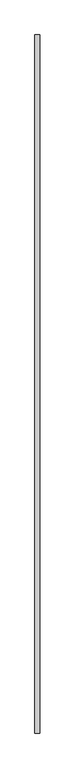
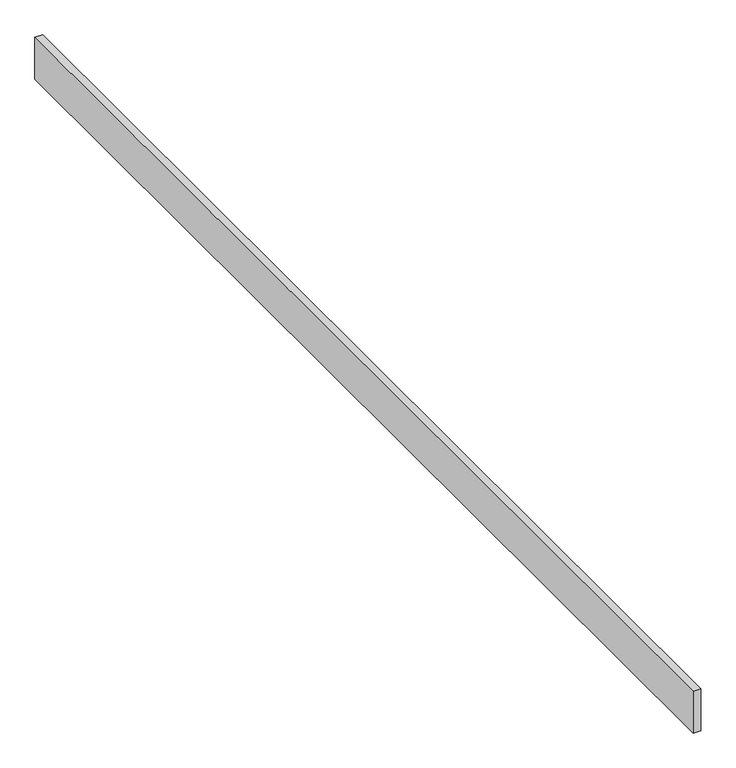
"""IFC4 building model written with IfcOpenShell, lengths in millimetres: proxy geometry."""

from ifc_helpers import new_model, si_unit, frame, origin, place, context, project, spatial, polyline, outline, extrude, source, transform, mapped, element, save


def generic_models_e9d11abc(model_context):
    return source(origin(), model_context, "Body", "SweptSolid", [
        extrude(outline(polyline([(-13193.8198603, 1094.0251285), (-13193.8198603, 5056.4251285), (-13166.8323603, 5056.4251285), (-13166.8323603, 1094.0251285), (-13193.8198603, 1094.0251285)])), frame((0.0, 0.0, 913.3752568), z_axis=(0.0, 0.0, 1.0), x_axis=(1.0, 0.0, 0.0)), (0.0, 0.0, 1.0), 153.4247432),
    ])


if __name__ == "__main__":
    model = new_model("IFC4")
    model_context = context("Model", 3, world=origin())
    ifc_project = project(units=[si_unit("LENGTHUNIT", "METRE", prefix="MILLI")], contexts=[model_context])
    site = spatial("IfcSite", under=ifc_project)
    building = spatial("IfcBuilding", under=site)
    placement = place(None, origin())
    generic_models_shape = generic_models_e9d11abc(model_context)
    element("IfcBuildingElementProxy", 1, Name="Generic Models", at=placement, inside=building, context=model_context, shape_type="MappedRepresentation", body=[
        mapped(generic_models_shape, transform((0.0, 0.0, 0.0), x_axis=(1.0, 0.0, 0.0), y_axis=(0.0, 1.0, 0.0), z_axis=(0.0, 0.0, 1.0))),
    ])
    save(model, "model.ifc")
